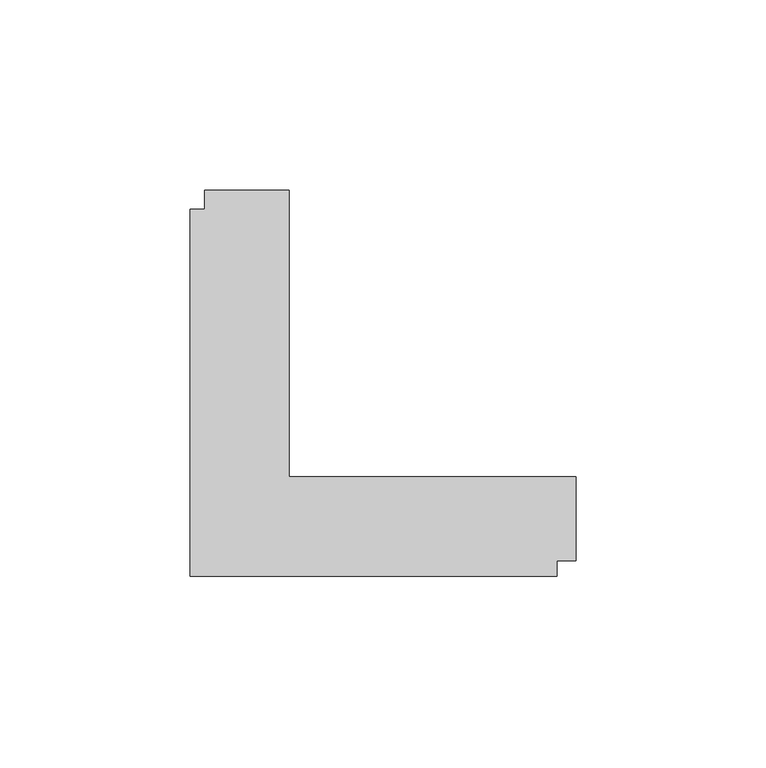
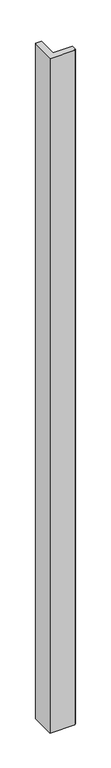
"""IFC4 building model written with IfcOpenShell, lengths in millimetres: furniture geometry."""

from ifc_helpers import new_model, si_unit, origin, origin_with_axes, place, context, project, spatial, polyline, outline, extrude, source, transform, mapped, element, save


def furniture_0b2eecf7(model_context):
    return source(origin(), model_context, "Body", "SweptSolid", [
        extrude(outline(polyline([(29.9771531, -74.4019705), (29.9771531, 22.1881772), (33.9141531, 22.1881772), (33.9141531, 27.1980295), (56.1391531, 27.1980295), (56.1391531, -48.1831183), (131.5771531, -48.1831183), (131.5771531, -70.4081183), (126.6241531, -70.4081183), (126.6241531, -74.4019705), (29.9771531, -74.4019705)])), origin_with_axes(), (0.0, 0.0, 1.0), 2743.2),
    ])


if __name__ == "__main__":
    model = new_model("IFC4")
    model_context = context("Model", 3, world=origin())
    ifc_project = project(units=[si_unit("LENGTHUNIT", "METRE", prefix="MILLI")], contexts=[model_context])
    site = spatial("IfcSite", under=ifc_project)
    building = spatial("IfcBuilding", under=site)
    placement = place(None, origin())
    furniture_shape = furniture_0b2eecf7(model_context)
    element("IfcFurniture", 1, at=placement, inside=building, context=model_context, shape_type="MappedRepresentation", body=[
        mapped(furniture_shape, transform((0.0, 0.0, 0.0), x_axis=(1.0, 0.0, 0.0), y_axis=(0.0, 1.0, 0.0), z_axis=(0.0, 0.0, 1.0))),
    ])
    save(model, "model.ifc")
